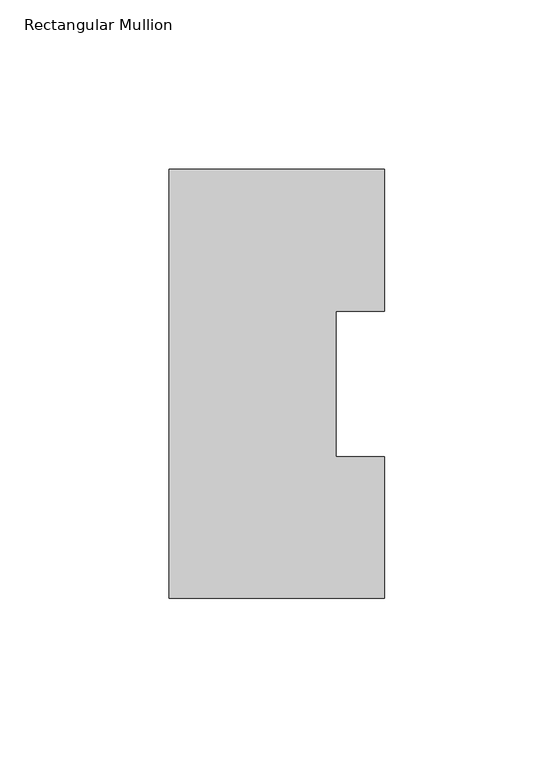
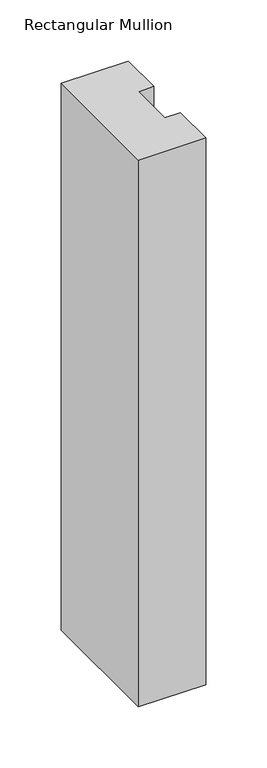
"""IFC4 building model written with IfcOpenShell, lengths in millimetres: member geometry, Rectangular Mullion."""

from ifc_helpers import new_model, si_unit, frame, origin, place, context, project, spatial, polyline, outline, extrude, source, transform, mapped, element, save


def rectangular_mullion_72d32cce(model_context):
    return source(origin(), model_context, "Body", "SweptSolid", [
        extrude(outline(polyline([(-63.5, 126.4546937), (0.0, 126.4546937), (0.0, 84.6335938), (-14.2875, 84.6335938), (-14.2875, 41.7576274), (0.0, 41.7576274), (0.0, -0.0373063), (-63.5, -0.0373063), (-63.5, 126.4546937)])), frame((0.0, 0.0, -546.1), z_axis=(0.0, 0.0, 1.0), x_axis=(1.0, 0.0, 0.0)), (0.0, 0.0, 1.0), 546.1),
    ])


if __name__ == "__main__":
    model = new_model("IFC4")
    model_context = context("Model", 3, world=origin())
    ifc_project = project(units=[si_unit("LENGTHUNIT", "METRE", prefix="MILLI")], contexts=[model_context])
    site = spatial("IfcSite", under=ifc_project)
    building = spatial("IfcBuilding", under=site)
    placement = place(None, origin())
    rectangular_mullion_shape = rectangular_mullion_72d32cce(model_context)
    element("IfcMember", 1, ObjectType="Rectangular Mullion", at=placement, inside=building, context=model_context, shape_type="MappedRepresentation", body=[
        mapped(rectangular_mullion_shape, transform((0.0, 0.0, 0.0), x_axis=(1.0, 0.0, 0.0), y_axis=(0.0, 1.0, 0.0), z_axis=(0.0, 0.0, 1.0))),
    ])
    save(model, "model.ifc")
